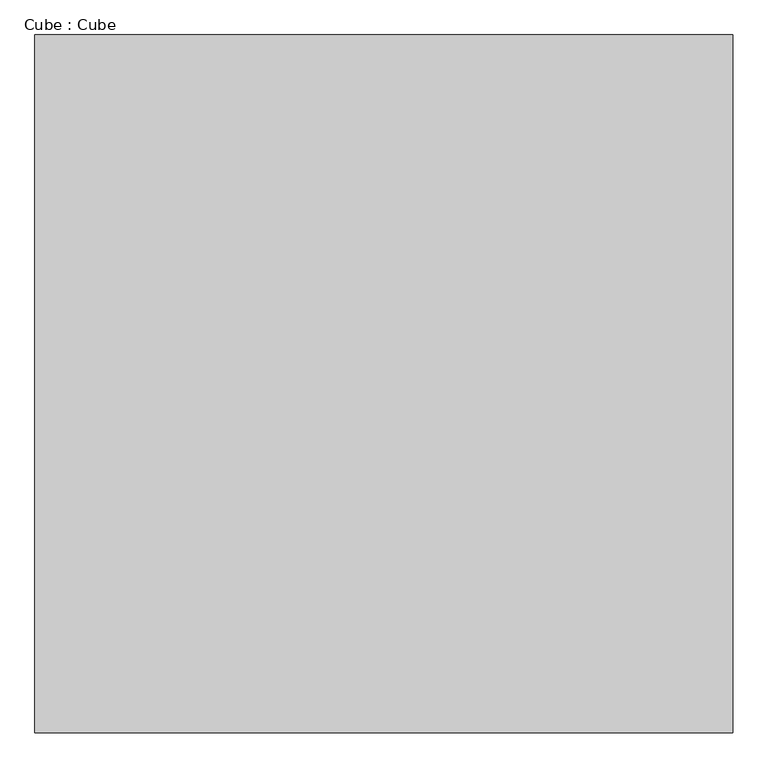
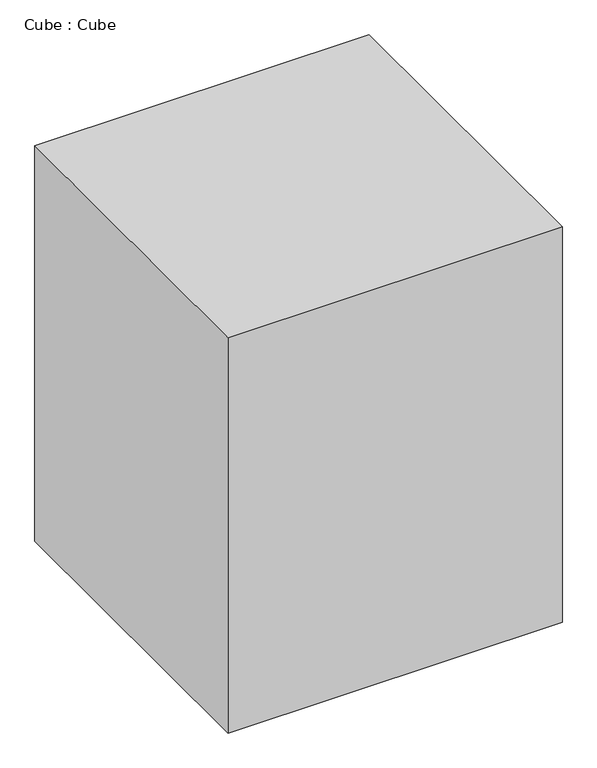
"""IFC4 building model written with IfcOpenShell, lengths in millimetres: proxy geometry, Cube : Cube."""

from ifc_helpers import new_model, si_unit, origin, origin_with_axes, place, context, project, spatial, polyline, outline, extrude, source, transform, mapped, element, save


def cube_cube_34ba4d08(model_context):
    return source(origin(), model_context, "Body", "SweptSolid", [
        extrude(outline(polyline([(0.0, 3657.599926), (0.0, 0.0), (-3657.6001644, 0.0), (-3657.6001644, 3657.599926), (0.0, 3657.599926)])), origin_with_axes(), (0.0, 0.0, 1.0), 4572.0000974),
    ])


if __name__ == "__main__":
    model = new_model("IFC4")
    model_context = context("Model", 3, world=origin())
    ifc_project = project(units=[si_unit("LENGTHUNIT", "METRE", prefix="MILLI")], contexts=[model_context])
    site = spatial("IfcSite", under=ifc_project)
    building = spatial("IfcBuilding", under=site)
    placement = place(None, origin())
    cube_cube_shape = cube_cube_34ba4d08(model_context)
    element("IfcBuildingElementProxy", 1, Name="Cube : Cube", ObjectType="Cube : Cube", at=placement, inside=building, context=model_context, shape_type="MappedRepresentation", body=[
        mapped(cube_cube_shape, transform((0.0, 0.0, 0.0), x_axis=(1.0, 0.0, 0.0), y_axis=(0.0, 1.0, 0.0), z_axis=(0.0, 0.0, 1.0))),
    ])
    save(model, "model.ifc")
